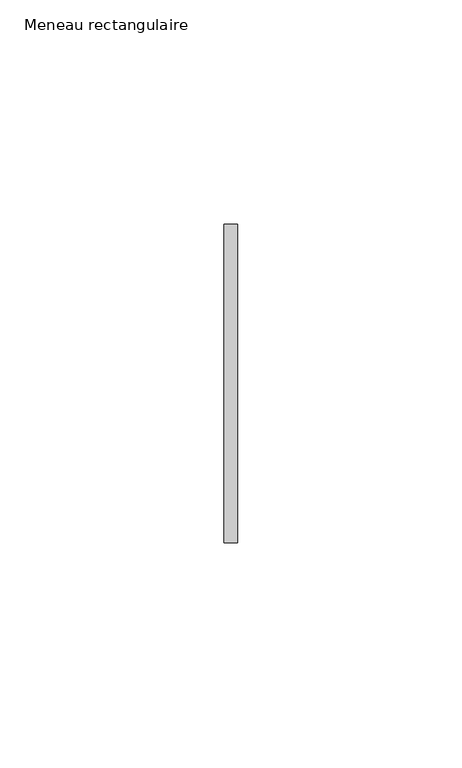
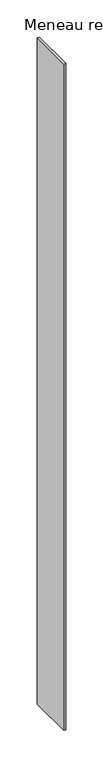
"""IFC4 building model written with IfcOpenShell, lengths in millimetres: member geometry, Meneau rectangulaire."""

from ifc_helpers import new_model, si_unit, frame, origin, place, context, project, spatial, polyline, outline, extrude, source, transform, mapped, element, save


def meneau_rectangulaire_f1531ad9(model_context):
    return source(origin(), model_context, "Body", "SweptSolid", [
        extrude(outline(polyline([(-1.5, 35.5), (1.5, 35.5), (1.5, -35.5), (-1.5, -35.5), (-1.5, 35.5)])), frame((0.0, 0.0, -1094.2499998), z_axis=(0.0, 0.0, 1.0), x_axis=(1.0, 0.0, 0.0)), (0.0, 0.0, 1.0), 1094.2499998),
    ])


if __name__ == "__main__":
    model = new_model("IFC4")
    model_context = context("Model", 3, world=origin())
    ifc_project = project(units=[si_unit("LENGTHUNIT", "METRE", prefix="MILLI")], contexts=[model_context])
    site = spatial("IfcSite", under=ifc_project)
    building = spatial("IfcBuilding", under=site)
    placement = place(None, origin())
    meneau_rectangulaire_shape = meneau_rectangulaire_f1531ad9(model_context)
    element("IfcMember", 1, ObjectType="Meneau rectangulaire", at=placement, inside=building, context=model_context, shape_type="MappedRepresentation", body=[
        mapped(meneau_rectangulaire_shape, transform((0.0, 0.0, 0.0), x_axis=(1.0, 0.0, 0.0), y_axis=(0.0, 1.0, 0.0), z_axis=(0.0, 0.0, 1.0))),
    ])
    save(model, "model.ifc")
